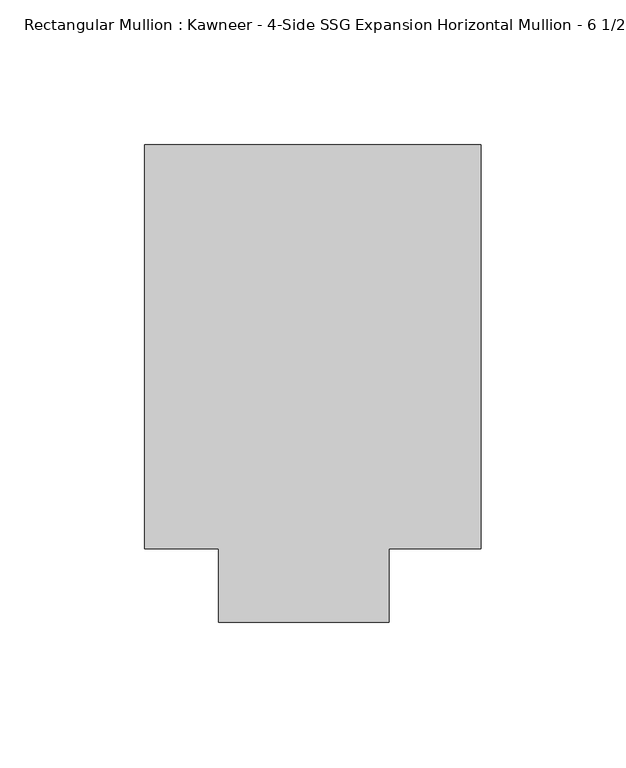
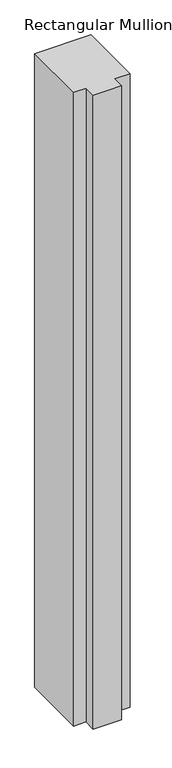
"""IFC4 building model written with IfcOpenShell, lengths in millimetres: member geometry."""

from ifc_helpers import new_model, si_unit, frame, origin, place, context, project, spatial, polyline, outline, extrude, source, transform, mapped, element, save


def member_522692b3(model_context):
    return source(origin(), model_context, "Body", "SweptSolid", [
        extrude(outline(polyline([(-62.2957636, 151.892), (53.615046, 151.892), (53.615046, 12.7), (21.8651592, 12.7), (21.8651592, -12.7), (-36.8958768, -12.7), (-36.8958768, 12.7), (-62.2957636, 12.7), (-62.2957636, 151.892)])), frame((0.0, 0.0, -1380.0432602), z_axis=(0.0, 0.0, 1.0), x_axis=(1.0, 0.0, 0.0)), (0.0, 0.0, 1.0), 1380.0432602),
    ])


if __name__ == "__main__":
    model = new_model("IFC4")
    model_context = context("Model", 3, world=origin())
    ifc_project = project(units=[si_unit("LENGTHUNIT", "METRE", prefix="MILLI")], contexts=[model_context])
    site = spatial("IfcSite", under=ifc_project)
    building = spatial("IfcBuilding", under=site)
    placement = place(None, origin())
    member_shape = member_522692b3(model_context)
    element("IfcMember", 1, ObjectType="Rectangular Mullion : Kawneer - 4-Side SSG Expansion Horizontal Mullion - 6 1/2\"", at=placement, inside=building, context=model_context, shape_type="MappedRepresentation", body=[
        mapped(member_shape, transform((0.0, 0.0, 0.0), x_axis=(1.0, 0.0, 0.0), y_axis=(0.0, 1.0, 0.0), z_axis=(0.0, 0.0, 1.0))),
    ])
    save(model, "model.ifc")
